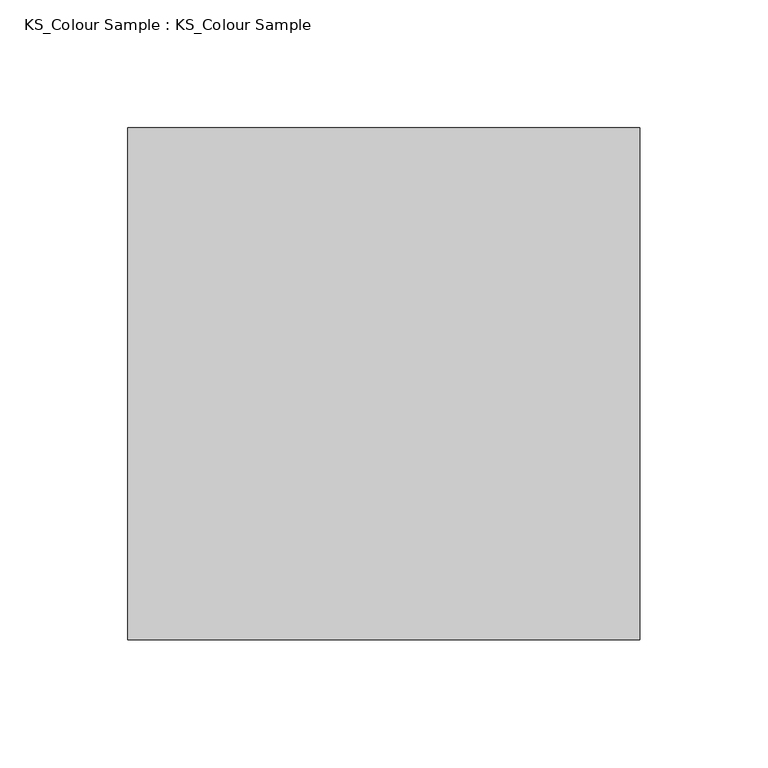
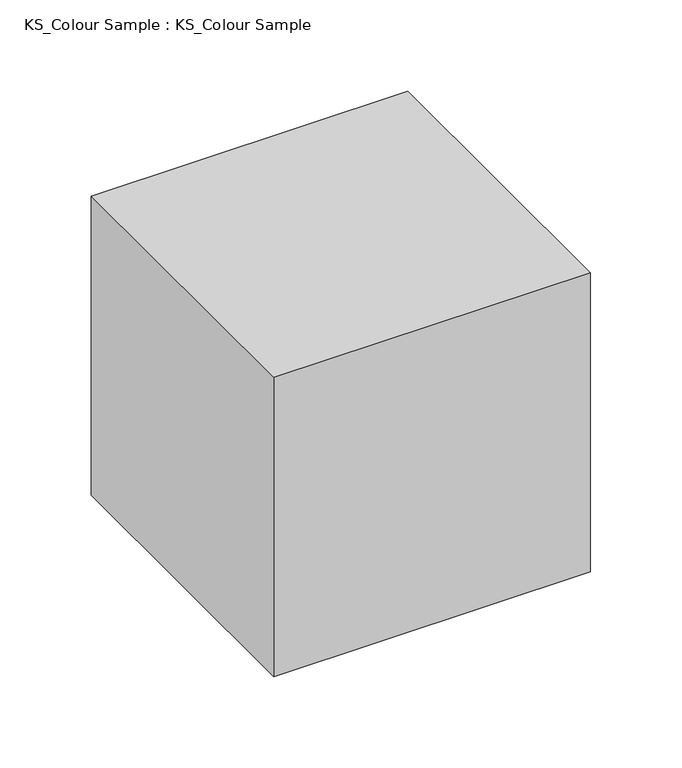
"""IFC4 building model written with IfcOpenShell, lengths in millimetres: proxy geometry, KS_Colour Sample : KS_Colour Sample."""

from ifc_helpers import new_model, si_unit, origin, origin_with_axes, place, context, project, spatial, polyline, outline, extrude, source, transform, mapped, element, save


def ks_colour_sample_ks_colour_sample_0243efec(model_context):
    return source(origin(), model_context, "Body", "SweptSolid", [
        extrude(outline(polyline([(100.0, 100.0), (100.0, -100.0), (-100.0, -100.0), (-100.0, 100.0), (100.0, 100.0)])), origin_with_axes(), (0.0, 0.0, 1.0), 200.0),
    ])


if __name__ == "__main__":
    model = new_model("IFC4")
    model_context = context("Model", 3, world=origin())
    ifc_project = project(units=[si_unit("LENGTHUNIT", "METRE", prefix="MILLI")], contexts=[model_context])
    site = spatial("IfcSite", under=ifc_project)
    building = spatial("IfcBuilding", under=site)
    placement = place(None, origin())
    ks_colour_sample_ks_colour_sample_shape = ks_colour_sample_ks_colour_sample_0243efec(model_context)
    element("IfcBuildingElementProxy", 1, Name="KS_Colour Sample : KS_Colour Sample", ObjectType="KS_Colour Sample : KS_Colour Sample", at=placement, inside=building, context=model_context, shape_type="MappedRepresentation", body=[
        mapped(ks_colour_sample_ks_colour_sample_shape, transform((0.0, 0.0, 0.0), x_axis=(1.0, 0.0, 0.0), y_axis=(0.0, 1.0, 0.0), z_axis=(0.0, 0.0, 1.0))),
    ])
    save(model, "model.ifc")
